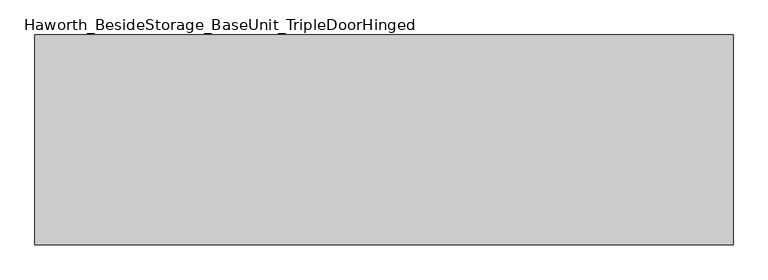
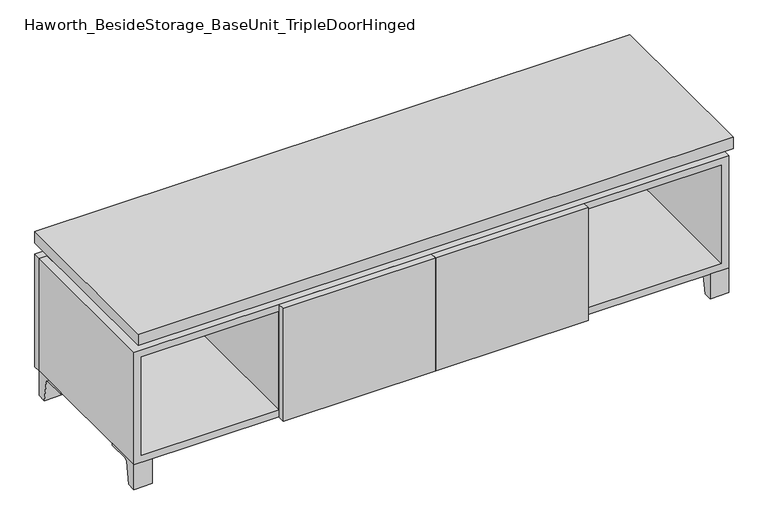
"""IFC4 building model written with IfcOpenShell, lengths in millimetres: furniture geometry, Haworth_BesideStorage_BaseUnit_TripleDoorHinged."""

from ifc_helpers import new_model, si_unit, point, frame, frame_2d, origin, place, context, project, spatial, polyline, circle_curve, trimmed, segment, composite_curve, outline, extrude, faceted_brep, source, transform, mapped, element, save


def haworth_besidestorage_baseunit_tripledoorhinged_24329cf8(model_context):
    return source(origin(), model_context, "Body", "SolidModel", [
        extrude(outline(composite_curve([segment(polyline([(38.6291531, 0.0), (15.875, 0.0), (15.875, 66.675), (111.125, 66.675), (111.125, 61.8963321), (54.3244655, 61.8963321)]), True, "CONTINUOUS"), segment(trimmed(circle_curve(frame_2d((54.3244655, 55.5463321)), 6.35), [point((54.3244655, 61.8963321))], [point((48.0608641, 56.5902656))], True, "CARTESIAN"), True, "CONTINUOUS"), segment(polyline([(48.0608641, 56.5902656), (38.6291531, 0.0)]), True, "CONTINUOUS")], self_intersect=False)), frame((-23.7986094, 0.0, 0.0), z_axis=(1.0, 0.0, 0.0), x_axis=(0.0, 1.0, 0.0)), (0.0, 0.0, 1.0), 47.625),
        extrude(outline(composite_curve([segment(polyline([(-129.6458469, 0.0), (-152.4, 0.0), (-152.4, 66.675), (-57.15, 66.675), (-57.15, 61.8963321), (-113.9505345, 61.8963321)]), True, "CONTINUOUS"), segment(trimmed(circle_curve(frame_2d((-113.9505345, 55.5463321)), 6.35), [point((-113.9505345, 61.8963321))], [point((-120.2141359, 56.5902656))], True, "CARTESIAN"), True, "CONTINUOUS"), segment(polyline([(-120.2141359, 56.5902656), (-129.6458469, 0.0)]), True, "CONTINUOUS")], self_intersect=False)), frame((712.8013906, 0.0, 0.0), z_axis=(1.0, 0.0, 0.0), x_axis=(0.0, 1.0, 0.0)), (0.0, 0.0, 1.0), 47.625),
        extrude(outline(composite_curve([segment(polyline([(243.9458469, 0.0), (234.5141359, 56.5902656)]), True, "CONTINUOUS"), segment(trimmed(circle_curve(frame_2d((228.2505345, 55.5463321)), 6.35), [point((234.5141359, 56.5902656))], [point((228.2505345, 61.8963321))], True, "CARTESIAN"), True, "CONTINUOUS"), segment(polyline([(228.2505345, 61.8963321), (171.45, 61.8963321), (171.45, 66.675), (266.7, 66.675), (266.7, 0.0), (243.9458469, 0.0)]), True, "CONTINUOUS")], self_intersect=False)), frame((712.8013906, 0.0, 0.0), z_axis=(1.0, 0.0, 0.0), x_axis=(0.0, 1.0, 0.0)), (0.0, 0.0, 1.0), 47.625),
        extrude(outline(composite_curve([segment(polyline([(-129.6458469, 0.0), (-152.4, 0.0), (-152.4, 66.675), (-57.15, 66.675), (-57.15, 61.8963321), (-113.9505345, 61.8963321)]), True, "CONTINUOUS"), segment(trimmed(circle_curve(frame_2d((-113.9505345, 55.5463321)), 6.35), [point((-113.9505345, 61.8963321))], [point((-120.2141359, 56.5902656))], True, "CARTESIAN"), True, "CONTINUOUS"), segment(polyline([(-120.2141359, 56.5902656), (-129.6458469, 0.0)]), True, "CONTINUOUS")], self_intersect=False)), frame((-760.3986094, 0.0, 0.0), z_axis=(1.0, 0.0, 0.0), x_axis=(0.0, 1.0, 0.0)), (0.0, 0.0, 1.0), 47.625),
        extrude(outline(composite_curve([segment(polyline([(243.9458469, 0.0), (234.5141359, 56.5902656)]), True, "CONTINUOUS"), segment(trimmed(circle_curve(frame_2d((228.2505345, 55.5463321)), 6.35), [point((234.5141359, 56.5902656))], [point((228.2505345, 61.8963321))], True, "CARTESIAN"), True, "CONTINUOUS"), segment(polyline([(228.2505345, 61.8963321), (171.45, 61.8963321), (171.45, 66.675), (266.7, 66.675), (266.7, 0.0), (243.9458469, 0.0)]), True, "CONTINUOUS")], self_intersect=False)), frame((-760.3986094, 0.0, 0.0), z_axis=(1.0, 0.0, 0.0), x_axis=(0.0, 1.0, 0.0)), (0.0, 0.0, 1.0), 47.625),
        faceted_brep([(-760.3986094, -152.4, 66.675), (760.4125, -152.4, 66.675), (760.4125, -152.4, 371.475), (-760.3986094, -152.4, 371.475), (-741.3486094, -152.4, 85.725), (-741.3486094, -152.4, 352.425), (741.3694453, -152.4, 352.425), (741.3486094, -152.4, 85.725), (-760.3986094, 266.7, 66.675), (-760.3986094, 266.7, 371.475), (-741.3486094, 266.7, 371.475), (-741.3486094, 266.7, 85.725), (741.3486094, 266.7, 85.725), (741.3486094, 266.7, 371.475), (760.4125, 266.7, 371.475), (760.4125, 266.7, 66.675), (741.3486094, 241.3, 371.475), (-741.3416641, 241.3, 371.475), (-741.3486094, 241.3, 352.425), (741.3486094, 241.3, 352.425)], [[[0, 1, 2, 3], [4, 5, 6, 7]], [[8, 9, 10, 11, 12, 13, 14, 15]], [[1, 0, 8, 15]], [[2, 1, 15, 14]], [[3, 2, 14, 13, 16, 17, 10, 9]], [[0, 3, 9, 8]], [[11, 10, 17, 18, 5, 4]], [[13, 12, 7, 6, 19, 16]], [[4, 7, 12, 11]], [[6, 5, 18, 19]], [[17, 16, 19, 18]]]),
        extrude(outline(polyline([(760.4263906, -171.45), (-760.3986094, -171.45), (-760.3986094, 285.75), (760.4263906, 285.75), (760.4263906, -171.45)])), frame((0.0, 0.0, 401.6375), z_axis=(0.0, 0.0, 1.0), x_axis=(1.0, 0.0, 0.0)), (0.0, 0.0, 1.0), 30.1625),
        faceted_brep([(7.9513906, -76.2, 401.6375), (7.9513906, -76.2, 371.475), (7.9513906, 47.625, 371.475), (7.9513906, 47.625, 401.6375), (7.9513906, 190.5, 371.475), (7.9513906, 190.5, 401.6375), (7.9513906, 66.675, 401.6375), (7.9513906, 66.675, 371.475), (-7.9236094, 190.5, 401.6375), (-7.9236094, 190.5, 371.475), (-7.9236094, 66.675, 371.475), (-7.9236094, 66.675, 401.6375), (-7.9236094, -76.2, 371.475), (-7.9236094, -76.2, 401.6375), (-7.9236094, 47.625, 401.6375), (-7.9236094, 47.625, 371.475), (-719.0958281, 66.675, 401.6375), (-719.1166641, 241.3, 401.6375), (-734.9916641, 241.3, 401.6375), (-734.9916641, -127.0, 401.6375), (-719.1166641, -127.0, 401.6375), (-719.1166641, 47.625, 401.6375), (719.1236094, 47.625, 401.6375), (719.1236094, -127.0, 401.6375), (734.9986094, -127.0, 401.6375), (734.9986094, 241.3, 401.6375), (719.1236094, 241.3, 401.6375), (719.1236094, 66.675, 401.6375), (-719.0958281, 47.625, 371.475), (-719.1166641, -127.0, 371.475), (-734.9916641, -127.0, 371.475), (-734.9916641, 241.3, 371.475), (-719.1166641, 241.3, 371.475), (-719.1166641, 66.675, 371.475), (719.1236094, 66.675, 371.475), (719.1236094, 241.3, 371.475), (734.9986094, 241.3, 371.475), (734.9986094, -127.0, 371.475), (719.1236094, -127.0, 371.475), (719.1236094, 47.625, 371.475)], [[[0, 1, 2, 3]], [[4, 5, 6, 7]], [[8, 9, 10, 11]], [[12, 13, 14, 15]], [[5, 8, 11, 16, 17, 18, 19, 20, 21, 14, 13, 0, 3, 22, 23, 24, 25, 26, 27, 6]], [[1, 12, 15, 28, 29, 30, 31, 32, 33, 10, 9, 4, 7, 34, 35, 36, 37, 38, 39, 2]], [[5, 4, 9, 8]], [[1, 0, 13, 12]], [[6, 27, 34, 7]], [[22, 3, 2, 39]], [[20, 29, 28, 21]], [[32, 17, 16, 33]], [[18, 31, 30, 19]], [[29, 20, 19, 30]], [[17, 32, 31, 18]], [[26, 35, 34, 27]], [[38, 23, 22, 39]], [[25, 24, 37, 36]], [[23, 38, 37, 24]], [[35, 26, 25, 36]], [[16, 11, 10, 33]], [[14, 21, 28, 15]]]),
        extrude(outline(polyline([(760.4263906, 266.7), (-760.3986094, 266.7), (-760.3986094, 285.75), (760.4263906, 285.75), (760.4263906, 266.7)])), frame((0.0, 0.0, 66.675), z_axis=(0.0, 0.0, 1.0), x_axis=(1.0, 0.0, 0.0)), (0.0, 0.0, 1.0), 304.8),
        extrude(outline(polyline([(-741.3416641, 196.85), (-741.3416641, 203.2), (741.3694453, 203.2), (741.3694453, 196.85), (-741.3416641, 196.85)])), frame((0.0, 0.0, 85.725), z_axis=(0.0, 0.0, 1.0), x_axis=(1.0, 0.0, 0.0)), (0.0, 0.0, 1.0), 266.7),
        extrude(outline(polyline([(0.0138906, -171.45), (0.0138906, -152.4), (389.7451406, -152.4), (389.7451406, -171.45), (0.0138906, -171.45)])), frame((0.0, 0.0, 66.675), z_axis=(0.0, 0.0, 1.0), x_axis=(1.0, 0.0, 0.0)), (0.0, 0.0, 1.0), 304.8),
        extrude(outline(polyline([(0.0138906, -171.45), (-389.7173594, -171.45), (-389.7173594, -152.4), (0.0138906, -152.4), (0.0138906, -171.45)])), frame((0.0, 0.0, 66.675), z_axis=(0.0, 0.0, 1.0), x_axis=(1.0, 0.0, 0.0)), (0.0, 0.0, 1.0), 304.8),
        extrude(outline(polyline([(370.6951406, 196.85), (389.7451406, 196.85), (389.7451406, -152.4), (370.6951406, -152.4), (370.6951406, 196.85)])), frame((0.0, 0.0, 85.725), z_axis=(0.0, 0.0, 1.0), x_axis=(1.0, 0.0, 0.0)), (0.0, 0.0, 1.0), 266.7),
        extrude(outline(polyline([(-389.7173594, 196.85), (-370.6673594, 196.85), (-370.6673594, -152.4), (-389.7173594, -152.4), (-389.7173594, 196.85)])), frame((0.0, 0.0, 85.725), z_axis=(0.0, 0.0, 1.0), x_axis=(1.0, 0.0, 0.0)), (0.0, 0.0, 1.0), 266.7),
    ])


if __name__ == "__main__":
    model = new_model("IFC4")
    model_context = context("Model", 3, world=origin())
    ifc_project = project(units=[si_unit("LENGTHUNIT", "METRE", prefix="MILLI")], contexts=[model_context])
    site = spatial("IfcSite", under=ifc_project)
    building = spatial("IfcBuilding", under=site)
    placement = place(None, origin())
    haworth_besidestorage_baseunit_tripledoorhinged_shape = haworth_besidestorage_baseunit_tripledoorhinged_24329cf8(model_context)
    element("IfcFurniture", 1, ObjectType="Haworth_BesideStorage_BaseUnit_TripleDoorHinged", at=placement, inside=building, context=model_context, shape_type="MappedRepresentation", body=[
        mapped(haworth_besidestorage_baseunit_tripledoorhinged_shape, transform((0.0, 0.0, 0.0), x_axis=(1.0, 0.0, 0.0), y_axis=(0.0, 1.0, 0.0), z_axis=(0.0, 0.0, 1.0))),
    ])
    save(model, "model.ifc")
